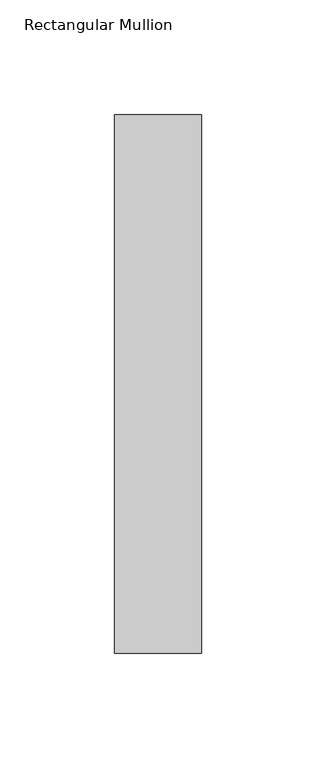
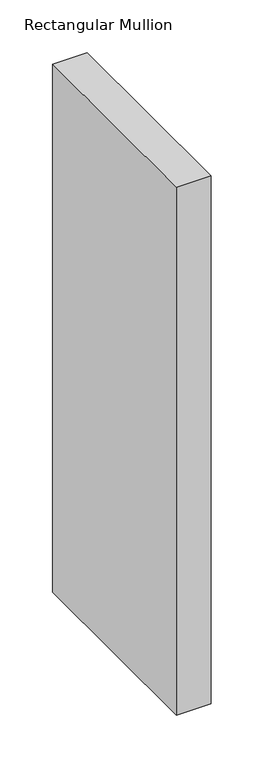
"""IFC4 building model written with IfcOpenShell, lengths in millimetres: member geometry, Rectangular Mullion."""

from ifc_helpers import new_model, si_unit, frame, origin, place, context, project, spatial, polyline, outline, extrude, source, transform, mapped, element, save


def rectangular_mullion_95174d76(model_context):
    return source(origin(), model_context, "Body", "SweptSolid", [
        extrude(outline(polyline([(0.0, 0.0), (0.0, -235.0), (-38.0, -235.0), (-38.0, 0.0), (0.0, 0.0)])), frame((0.0, 0.0, -611.4000002), z_axis=(0.0, 0.0, 1.0), x_axis=(1.0, 0.0, 0.0)), (0.0, 0.0, 1.0), 611.4000002),
    ])


if __name__ == "__main__":
    model = new_model("IFC4")
    model_context = context("Model", 3, world=origin())
    ifc_project = project(units=[si_unit("LENGTHUNIT", "METRE", prefix="MILLI")], contexts=[model_context])
    site = spatial("IfcSite", under=ifc_project)
    building = spatial("IfcBuilding", under=site)
    placement = place(None, origin())
    rectangular_mullion_shape = rectangular_mullion_95174d76(model_context)
    element("IfcMember", 1, ObjectType="Rectangular Mullion", at=placement, inside=building, context=model_context, shape_type="MappedRepresentation", body=[
        mapped(rectangular_mullion_shape, transform((0.0, 0.0, 0.0), x_axis=(1.0, 0.0, 0.0), y_axis=(0.0, 1.0, 0.0), z_axis=(0.0, 0.0, 1.0))),
    ])
    save(model, "model.ifc")
